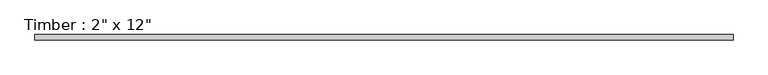
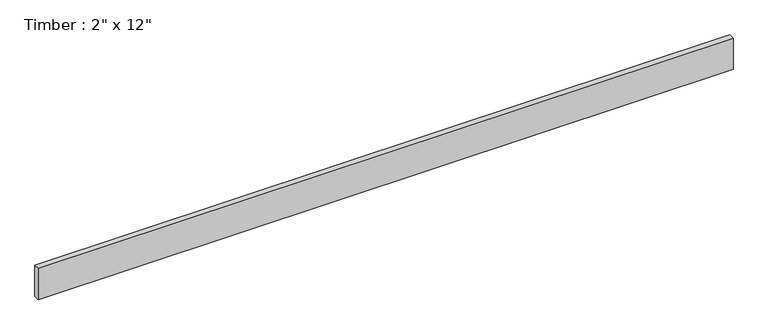
"""IFC4 building model written with IfcOpenShell, lengths in millimetres: beam geometry."""

from ifc_helpers import new_model, si_unit, frame, origin, place, context, project, spatial, polyline, outline, extrude, source, transform, mapped, element, save


def beam_b4166f91(model_context):
    return source(origin(), model_context, "Body", "SweptSolid", [
        extrude(outline(polyline([(3194.05, 25.4), (3194.05, -25.4), (-3194.05, -25.4), (-3194.05, 25.4), (3194.05, 25.4)])), frame((0.0, 0.0, -152.4), z_axis=(0.0, 0.0, 1.0), x_axis=(1.0, 0.0, 0.0)), (0.0, 0.0, 1.0), 304.8),
    ])


if __name__ == "__main__":
    model = new_model("IFC4")
    model_context = context("Model", 3, world=origin())
    ifc_project = project(units=[si_unit("LENGTHUNIT", "METRE", prefix="MILLI")], contexts=[model_context])
    site = spatial("IfcSite", under=ifc_project)
    building = spatial("IfcBuilding", under=site)
    placement = place(None, origin())
    beam_shape = beam_b4166f91(model_context)
    element("IfcBeam", 1, ObjectType="Timber : 2\" x 12\"", at=placement, inside=building, context=model_context, shape_type="MappedRepresentation", body=[
        mapped(beam_shape, transform((0.0, 0.0, 0.0), x_axis=(1.0, 0.0, 0.0), y_axis=(0.0, 1.0, 0.0), z_axis=(0.0, 0.0, 1.0))),
    ])
    save(model, "model.ifc")
